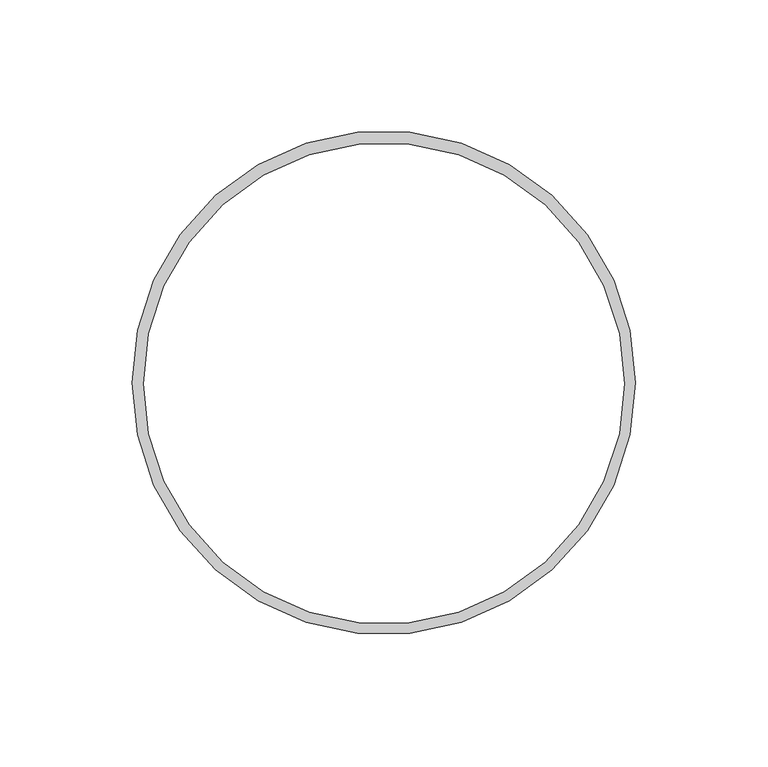
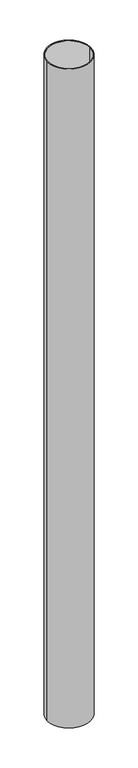
"""IFC4 building model written with IfcOpenShell, lengths in millimetres: proxy geometry."""

from ifc_helpers import new_model, si_unit, point, frame_2d, origin, origin_with_axes, place, context, project, spatial, circle_curve, trimmed, segment, composite_curve, outline, extrude, source, transform, mapped, element, save


def generic_models_ea2bbb72(model_context):
    return source(origin(), model_context, "Body", "SweptSolid", [
        extrude(outline(composite_curve([segment(trimmed(circle_curve(frame_2d((3792.5474935, -1710.3446141)), 95.25), [point((3697.2974935, -1710.3446141))], [point((3887.7974935, -1710.3446141))], False, "CARTESIAN"), True, "CONTINUOUS"), segment(trimmed(circle_curve(frame_2d((3792.5474935, -1710.3446141)), 95.25), [point((3887.7974935, -1710.3446141))], [point((3697.2974935, -1710.3446141))], False, "CARTESIAN"), True, "CONTINUOUS")], self_intersect=False), holes=[composite_curve([segment(trimmed(circle_curve(frame_2d((3792.6126757, -1710.6972754)), 91.0049614), [point((3701.6077143, -1710.6972754))], [point((3883.6176371, -1710.6972754))], True, "CARTESIAN"), True, "CONTINUOUS"), segment(trimmed(circle_curve(frame_2d((3792.6126757, -1710.6972754)), 91.0049614), [point((3883.6176371, -1710.6972754))], [point((3701.6077143, -1710.6972754))], True, "CARTESIAN"), True, "CONTINUOUS")], self_intersect=False)]), origin_with_axes(), (0.0, 0.0, 1.0), 3048.0),
    ])


if __name__ == "__main__":
    model = new_model("IFC4")
    model_context = context("Model", 3, world=origin())
    ifc_project = project(units=[si_unit("LENGTHUNIT", "METRE", prefix="MILLI")], contexts=[model_context])
    site = spatial("IfcSite", under=ifc_project)
    building = spatial("IfcBuilding", under=site)
    placement = place(None, origin())
    generic_models_shape = generic_models_ea2bbb72(model_context)
    element("IfcBuildingElementProxy", 1, Name="Generic Models", at=placement, inside=building, context=model_context, shape_type="MappedRepresentation", body=[
        mapped(generic_models_shape, transform((0.0, 0.0, 0.0), x_axis=(1.0, 0.0, 0.0), y_axis=(0.0, 1.0, 0.0), z_axis=(0.0, 0.0, 1.0))),
    ])
    save(model, "model.ifc")
